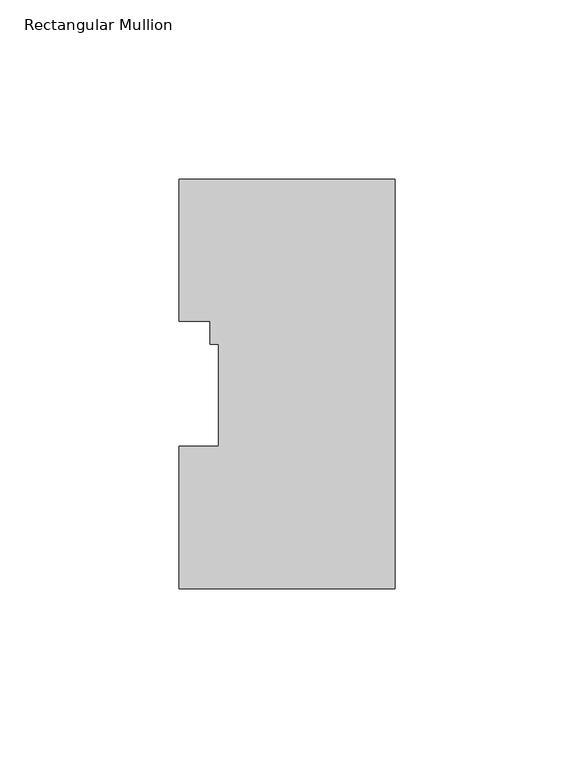
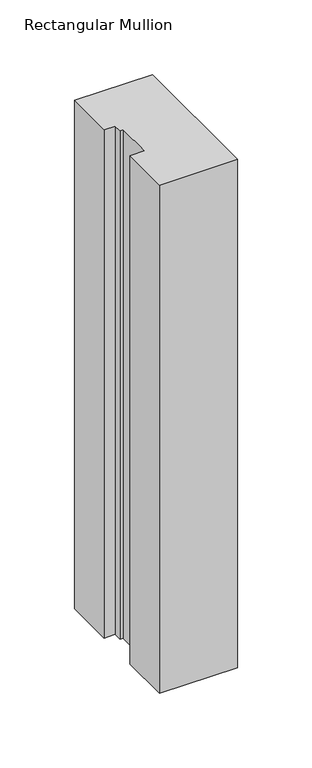
"""IFC4 building model written with IfcOpenShell, lengths in millimetres: member geometry, Rectangular Mullion."""

from ifc_helpers import new_model, si_unit, frame, origin, place, context, project, spatial, polyline, outline, extrude, source, transform, mapped, element, save


def rectangular_mullion_adfba3a4(model_context):
    return source(origin(), model_context, "Body", "SweptSolid", [
        extrude(outline(polyline([(0.0, 114.271425), (0.0, -0.028575), (-60.325, -0.028575), (-60.325, 39.646225), (-49.2125, 39.646225), (-49.2125, 68.246625), (-51.5874, 68.246625), (-51.5874, 74.596625), (-60.325, 74.596625), (-60.325, 114.271425), (0.0, 114.271425)])), frame((0.0, 0.0, -415.925), z_axis=(0.0, 0.0, 1.0), x_axis=(1.0, 0.0, 0.0)), (0.0, 0.0, 1.0), 415.925),
    ])


if __name__ == "__main__":
    model = new_model("IFC4")
    model_context = context("Model", 3, world=origin())
    ifc_project = project(units=[si_unit("LENGTHUNIT", "METRE", prefix="MILLI")], contexts=[model_context])
    site = spatial("IfcSite", under=ifc_project)
    building = spatial("IfcBuilding", under=site)
    placement = place(None, origin())
    rectangular_mullion_shape = rectangular_mullion_adfba3a4(model_context)
    element("IfcMember", 1, ObjectType="Rectangular Mullion", at=placement, inside=building, context=model_context, shape_type="MappedRepresentation", body=[
        mapped(rectangular_mullion_shape, transform((0.0, 0.0, 0.0), x_axis=(1.0, 0.0, 0.0), y_axis=(0.0, 1.0, 0.0), z_axis=(0.0, 0.0, 1.0))),
    ])
    save(model, "model.ifc")
